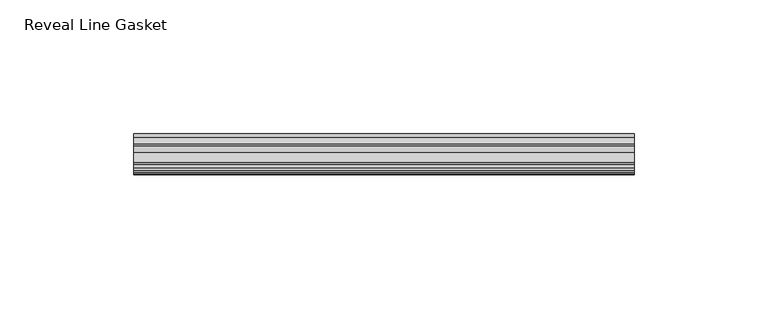
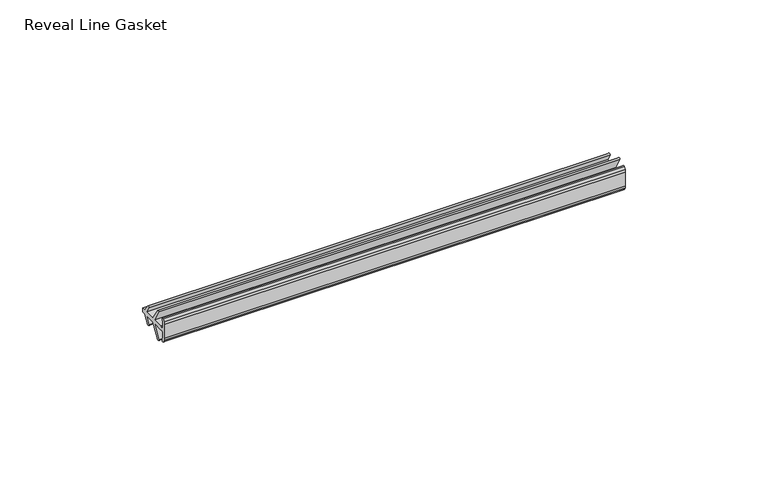
"""IFC4 building model written with IfcOpenShell, lengths in millimetres: furniture geometry, Reveal Line Gasket."""

from ifc_helpers import new_model, si_unit, point, frame, frame_2d, origin, place, context, project, spatial, polyline, circle_curve, trimmed, segment, composite_curve, outline, extrude, source, transform, mapped, element, save


def reveal_line_gasket_379f47ea(model_context):
    return source(origin(), model_context, "Body", "SweptSolid", [
        extrude(outline(composite_curve([segment(polyline([(-7.6326998, 1603.2), (-7.4091917, 1604.1554927), (-6.8813059, 1605.0884684)]), True, "CONTINUOUS"), segment(trimmed(circle_curve(frame_2d((-6.5243141, 1604.8864793)), 0.4101739), [point((-6.8813059, 1605.0884684))], [point((-6.1246704, 1604.7941347))], False, "CARTESIAN"), True, "CONTINUOUS"), segment(polyline([(-6.1246704, 1604.7941347), (-6.3626997, 1603.0979086), (-6.3626997, 1601.0654527)]), True, "CONTINUOUS"), segment(trimmed(circle_curve(frame_2d((-5.6959605, 1601.4819258)), 0.786124), [point((-6.3626997, 1601.0654527))], [point((-5.0926996, 1600.977875))], True, "CARTESIAN"), True, "CONTINUOUS"), segment(polyline([(-5.0926996, 1600.977875), (-0.7492996, 1600.977875), (-3.7293824, 1606.1395295)]), True, "CONTINUOUS"), segment(trimmed(circle_curve(frame_2d((-3.3132479, 1606.2049761)), 0.4212495), [point((-3.7293824, 1606.1395295))], [point((-3.0485022, 1606.5326358))], False, "CARTESIAN"), True, "CONTINUOUS"), segment(polyline([(-3.0485022, 1606.5326358), (0.5742594, 1600.977875), (4.8262978, 1600.977875), (3.1660374, 1603.8535297)]), True, "CONTINUOUS"), segment(trimmed(circle_curve(frame_2d((3.5978728, 1603.9118855)), 0.4357605), [point((3.1660374, 1603.8535297))], [point((3.864328, 1604.2566881))], False, "CARTESIAN"), True, "CONTINUOUS"), segment(polyline([(3.864328, 1604.2566881), (6.1944059, 1600.977875), (7.6326998, 1600.977875), (7.6326998, 1599.422125), (6.1944059, 1599.422125), (3.864328, 1596.1433119)]), True, "CONTINUOUS"), segment(trimmed(circle_curve(frame_2d((3.5978728, 1596.4881145)), 0.4357605), [point((3.864328, 1596.1433119))], [point((3.1660374, 1596.5464703))], False, "CARTESIAN"), True, "CONTINUOUS"), segment(polyline([(3.1660374, 1596.5464703), (4.8262978, 1599.422125), (0.5742594, 1599.422125), (-3.0485022, 1593.8673642)]), True, "CONTINUOUS"), segment(trimmed(circle_curve(frame_2d((-3.3132479, 1594.1950239)), 0.4212495), [point((-3.0485022, 1593.8673642))], [point((-3.7293824, 1594.2604705))], False, "CARTESIAN"), True, "CONTINUOUS"), segment(polyline([(-3.7293824, 1594.2604705), (-0.7492996, 1599.422125), (-5.0926996, 1599.422125)]), True, "CONTINUOUS"), segment(trimmed(circle_curve(frame_2d((-5.6959605, 1598.9180742)), 0.786124), [point((-5.0926996, 1599.422125))], [point((-6.3626997, 1599.3345473))], True, "CARTESIAN"), True, "CONTINUOUS"), segment(polyline([(-6.3626997, 1599.3345473), (-6.3626997, 1597.3020914), (-6.1246704, 1595.6058653)]), True, "CONTINUOUS"), segment(trimmed(circle_curve(frame_2d((-6.5243141, 1595.5135207)), 0.4101739), [point((-6.1246704, 1595.6058653))], [point((-6.8813059, 1595.3115316))], False, "CARTESIAN"), True, "CONTINUOUS"), segment(polyline([(-6.8813059, 1595.3115316), (-7.4091917, 1596.2445073), (-7.6326998, 1597.2), (-7.6326998, 1603.2)]), True, "CONTINUOUS")], self_intersect=False)), frame((-93.3704, 0.0, 0.0), z_axis=(1.0, 0.0, 0.0), x_axis=(0.0, 1.0, 0.0)), (0.0, 0.0, 1.0), 186.7408),
    ])


if __name__ == "__main__":
    model = new_model("IFC4")
    model_context = context("Model", 3, world=origin())
    ifc_project = project(units=[si_unit("LENGTHUNIT", "METRE", prefix="MILLI")], contexts=[model_context])
    site = spatial("IfcSite", under=ifc_project)
    building = spatial("IfcBuilding", under=site)
    placement = place(None, origin())
    reveal_line_gasket_shape = reveal_line_gasket_379f47ea(model_context)
    element("IfcFurniture", 1, ObjectType="Reveal Line Gasket", at=placement, inside=building, context=model_context, shape_type="MappedRepresentation", body=[
        mapped(reveal_line_gasket_shape, transform((0.0, 0.0, 0.0), x_axis=(1.0, 0.0, 0.0), y_axis=(0.0, 1.0, 0.0), z_axis=(0.0, 0.0, 1.0))),
    ])
    save(model, "model.ifc")
